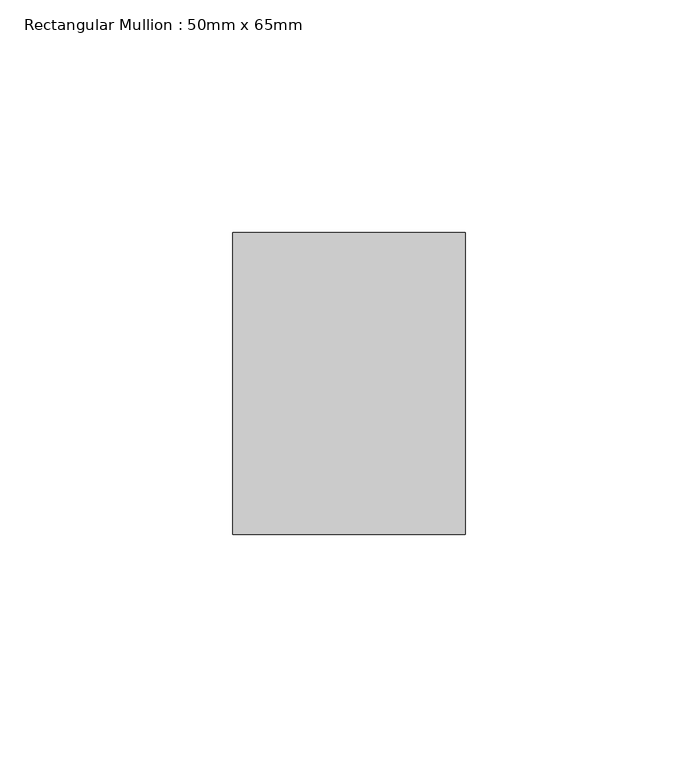
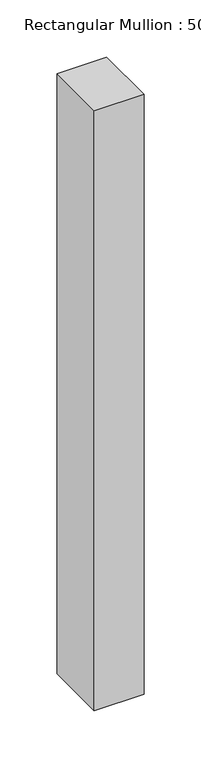
"""IFC4 building model written with IfcOpenShell, lengths in millimetres: member geometry, Rectangular Mullion : 50mm x 65mm."""

from ifc_helpers import new_model, si_unit, frame, origin, place, context, project, spatial, polyline, outline, extrude, source, transform, mapped, element, save


def rectangular_mullion_50mm_x_65mm_765b64c3(model_context):
    return source(origin(), model_context, "Body", "SweptSolid", [
        extrude(outline(polyline([(25.0, 32.5), (25.0, -32.5), (-25.0, -32.5), (-25.0, 32.5), (25.0, 32.5)])), frame((0.0, 0.0, -639.7125498), z_axis=(0.0, 0.0, 1.0), x_axis=(1.0, 0.0, 0.0)), (0.0, 0.0, 1.0), 639.7125498),
    ])


if __name__ == "__main__":
    model = new_model("IFC4")
    model_context = context("Model", 3, world=origin())
    ifc_project = project(units=[si_unit("LENGTHUNIT", "METRE", prefix="MILLI")], contexts=[model_context])
    site = spatial("IfcSite", under=ifc_project)
    building = spatial("IfcBuilding", under=site)
    placement = place(None, origin())
    rectangular_mullion_50mm_x_65mm_shape = rectangular_mullion_50mm_x_65mm_765b64c3(model_context)
    element("IfcMember", 1, ObjectType="Rectangular Mullion : 50mm x 65mm", at=placement, inside=building, context=model_context, shape_type="MappedRepresentation", body=[
        mapped(rectangular_mullion_50mm_x_65mm_shape, transform((0.0, 0.0, 0.0), x_axis=(1.0, 0.0, 0.0), y_axis=(0.0, 1.0, 0.0), z_axis=(0.0, 0.0, 1.0))),
    ])
    save(model, "model.ifc")
